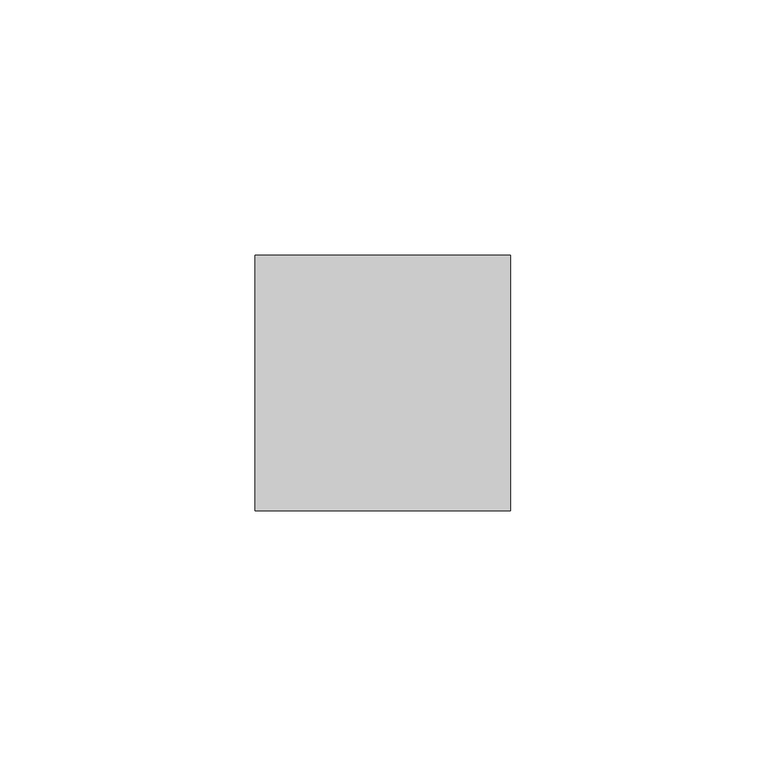
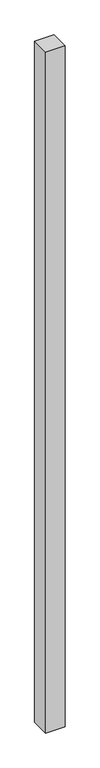
"""IFC4 building model written with IfcOpenShell, lengths in millimetres: member geometry."""

from ifc_helpers import new_model, si_unit, frame, origin, place, context, project, spatial, polyline, outline, extrude, source, transform, mapped, element, save


def member_37a54d18(model_context):
    return source(origin(), model_context, "Body", "SweptSolid", [
        extrude(outline(polyline([(25.0, 25.0), (25.0, -25.0), (-25.0, -25.0), (-25.0, 25.0), (25.0, 25.0)])), frame((0.0, 0.0, -1875.0), z_axis=(0.0, 0.0, 1.0), x_axis=(1.0, 0.0, 0.0)), (0.0, 0.0, 1.0), 1875.0),
    ])


if __name__ == "__main__":
    model = new_model("IFC4")
    model_context = context("Model", 3, world=origin())
    ifc_project = project(units=[si_unit("LENGTHUNIT", "METRE", prefix="MILLI")], contexts=[model_context])
    site = spatial("IfcSite", under=ifc_project)
    building = spatial("IfcBuilding", under=site)
    placement = place(None, origin())
    member_shape = member_37a54d18(model_context)
    element("IfcMember", 1, at=placement, inside=building, context=model_context, shape_type="MappedRepresentation", body=[
        mapped(member_shape, transform((0.0, 0.0, 0.0), x_axis=(1.0, 0.0, 0.0), y_axis=(0.0, 1.0, 0.0), z_axis=(0.0, 0.0, 1.0))),
    ])
    save(model, "model.ifc")
